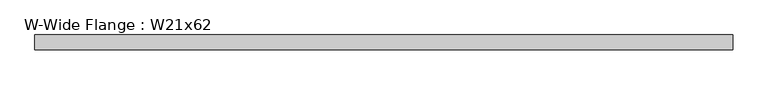
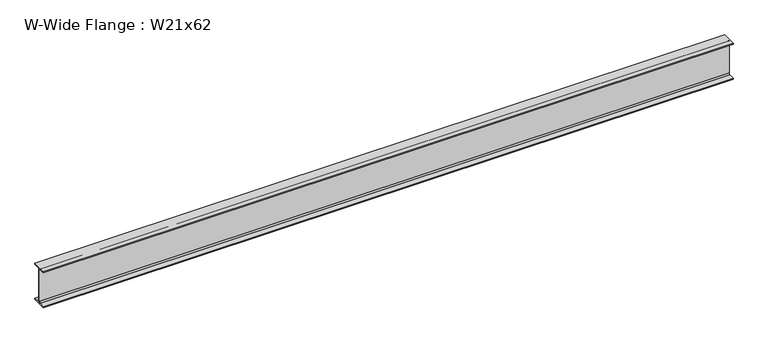
"""IFC4 building model written with IfcOpenShell, lengths in millimetres: beam geometry, W-Wide Flange : W21x62."""

from ifc_helpers import new_model, si_unit, point, frame, frame_2d, origin, place, context, project, spatial, polyline, circle_curve, trimmed, segment, composite_curve, outline, extrude, source, transform, mapped, element, save


def w_wide_flange_w21x62_1eafa1d9(model_context):
    return source(origin(), model_context, "Body", "SweptSolid", [
        extrude(outline(composite_curve([segment(polyline([(104.648, -251.079), (104.648, -266.7), (-104.648, -266.7), (-104.648, -251.079), (-22.7965, -251.079)]), True, "CONTINUOUS"), segment(trimmed(circle_curve(frame_2d((-22.7965, -233.3625)), 17.7165), [point((-22.7965, -251.079))], [point((-5.08, -233.3625))], True, "CARTESIAN"), True, "CONTINUOUS"), segment(polyline([(-5.08, -233.3625), (-5.08, 233.3625)]), True, "CONTINUOUS"), segment(trimmed(circle_curve(frame_2d((-22.7965, 233.3625)), 17.7165), [point((-5.08, 233.3625))], [point((-22.7965, 251.079))], True, "CARTESIAN"), True, "CONTINUOUS"), segment(polyline([(-22.7965, 251.079), (-104.648, 251.079), (-104.648, 266.7), (104.648, 266.7), (104.648, 251.079), (22.7965, 251.079)]), True, "CONTINUOUS"), segment(trimmed(circle_curve(frame_2d((22.7965, 233.3625)), 17.7165), [point((22.7965, 251.079))], [point((5.08, 233.3625))], True, "CARTESIAN"), True, "CONTINUOUS"), segment(polyline([(5.08, 233.3625), (5.08, -233.3625)]), True, "CONTINUOUS"), segment(trimmed(circle_curve(frame_2d((22.7965, -233.3625)), 17.7165), [point((5.08, -233.3625))], [point((22.7965, -251.079))], True, "CARTESIAN"), True, "CONTINUOUS"), segment(polyline([(22.7965, -251.079), (104.648, -251.079)]), True, "CONTINUOUS")], self_intersect=False)), frame((-4858.766, 0.0, 0.0), z_axis=(1.0, 0.0, 0.0), x_axis=(0.0, 1.0, 0.0)), (0.0, 0.0, 1.0), 9717.532),
    ])


if __name__ == "__main__":
    model = new_model("IFC4")
    model_context = context("Model", 3, world=origin())
    ifc_project = project(units=[si_unit("LENGTHUNIT", "METRE", prefix="MILLI")], contexts=[model_context])
    site = spatial("IfcSite", under=ifc_project)
    building = spatial("IfcBuilding", under=site)
    placement = place(None, origin())
    w_wide_flange_w21x62_shape = w_wide_flange_w21x62_1eafa1d9(model_context)
    element("IfcBeam", 1, ObjectType="W-Wide Flange : W21x62", at=placement, inside=building, context=model_context, shape_type="MappedRepresentation", body=[
        mapped(w_wide_flange_w21x62_shape, transform((0.0, 0.0, 0.0), x_axis=(1.0, 0.0, 0.0), y_axis=(0.0, 1.0, 0.0), z_axis=(0.0, 0.0, 1.0))),
    ])
    save(model, "model.ifc")
